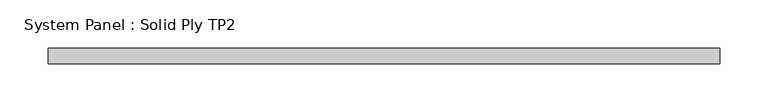
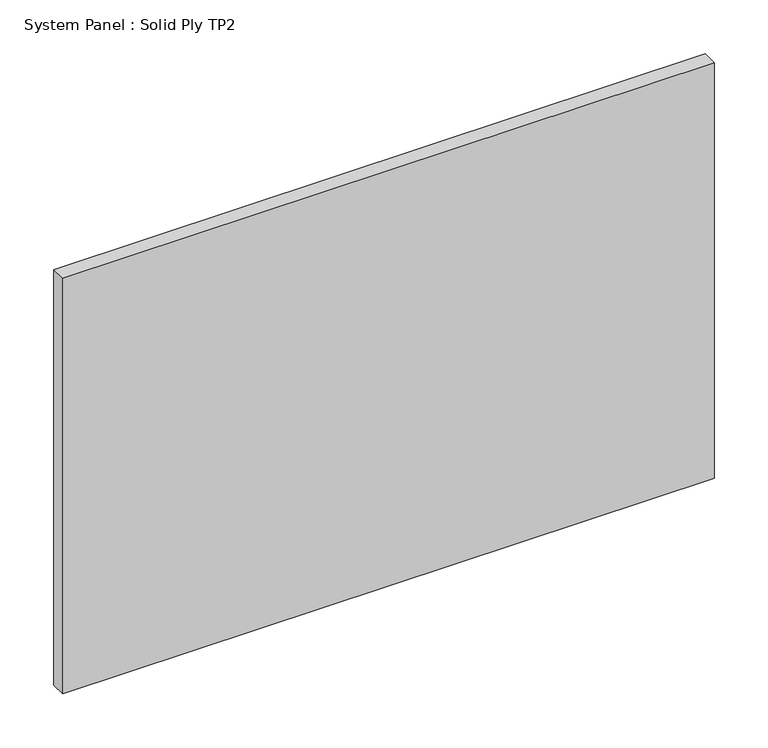
"""IFC4 building model written with IfcOpenShell, lengths in millimetres: plate geometry, System Panel : Solid Ply TP2."""

from ifc_helpers import new_model, si_unit, origin, origin_with_axes, place, context, project, spatial, polyline, outline, extrude, source, transform, mapped, element, save


def system_panel_solid_ply_tp2_146749e9(model_context):
    return source(origin(), model_context, "Body", "SweptSolid", [
        extrude(outline(polyline([(348.4999996, -23.0), (-348.4999996, -23.0), (-348.4999996, -7.0), (348.4999996, -7.0), (348.4999996, -23.0)])), origin_with_axes(), (0.0, 0.0, 1.0), 470.0),
    ])


if __name__ == "__main__":
    model = new_model("IFC4")
    model_context = context("Model", 3, world=origin())
    ifc_project = project(units=[si_unit("LENGTHUNIT", "METRE", prefix="MILLI")], contexts=[model_context])
    site = spatial("IfcSite", under=ifc_project)
    building = spatial("IfcBuilding", under=site)
    placement = place(None, origin())
    system_panel_solid_ply_tp2_shape = system_panel_solid_ply_tp2_146749e9(model_context)
    element("IfcPlate", 1, ObjectType="System Panel : Solid Ply TP2", at=placement, inside=building, context=model_context, shape_type="MappedRepresentation", body=[
        mapped(system_panel_solid_ply_tp2_shape, transform((0.0, 0.0, 0.0), x_axis=(1.0, 0.0, 0.0), y_axis=(0.0, 1.0, 0.0), z_axis=(0.0, 0.0, 1.0))),
    ])
    save(model, "model.ifc")
